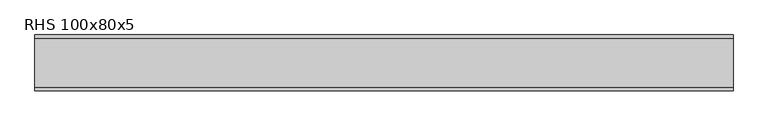
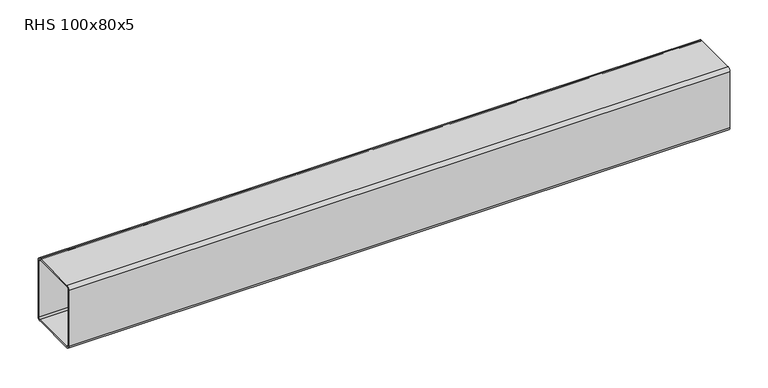
"""IFC4 building model written with IfcOpenShell, lengths in millimetres: beam geometry, RHS 100x80x5."""

from ifc_helpers import new_model, si_unit, point, frame, frame_2d, origin, place, context, project, spatial, polyline, circle_curve, trimmed, segment, composite_curve, outline, extrude, source, transform, mapped, element, save


def rhs_100x80x5_6c3d8e2e(model_context):
    return source(origin(), model_context, "Body", "SweptSolid", [
        extrude(outline(composite_curve([segment(polyline([(40.0, 45.0), (40.0, -45.0)]), True, "CONTINUOUS"), segment(trimmed(circle_curve(frame_2d((35.0, -45.0)), 5.0), [point((40.0, -45.0))], [point((35.0, -50.0))], False, "CARTESIAN"), True, "CONTINUOUS"), segment(polyline([(35.0, -50.0), (-35.0, -50.0)]), True, "CONTINUOUS"), segment(trimmed(circle_curve(frame_2d((-35.0, -45.0)), 5.0), [point((-35.0, -50.0))], [point((-40.0, -45.0))], False, "CARTESIAN"), True, "CONTINUOUS"), segment(polyline([(-40.0, -45.0), (-40.0, 45.0)]), True, "CONTINUOUS"), segment(trimmed(circle_curve(frame_2d((-35.0, 45.0)), 5.0), [point((-40.0, 45.0))], [point((-35.0, 50.0))], False, "CARTESIAN"), True, "CONTINUOUS"), segment(polyline([(-35.0, 50.0), (35.0, 50.0)]), True, "CONTINUOUS"), segment(trimmed(circle_curve(frame_2d((35.0, 45.0)), 5.0), [point((35.0, 50.0))], [point((40.0, 45.0))], False, "CARTESIAN"), True, "CONTINUOUS")], self_intersect=False), holes=[composite_curve([segment(trimmed(circle_curve(frame_2d((-35.0, 45.0)), 2.5), [point((-35.0, 47.5))], [point((-37.5, 45.0))], True, "CARTESIAN"), True, "CONTINUOUS"), segment(polyline([(-37.5, 45.0), (-37.5, -45.0)]), True, "CONTINUOUS"), segment(trimmed(circle_curve(frame_2d((-35.0, -45.0)), 2.5), [point((-37.5, -45.0))], [point((-35.0, -47.5))], True, "CARTESIAN"), True, "CONTINUOUS"), segment(polyline([(-35.0, -47.5), (35.0, -47.5)]), True, "CONTINUOUS"), segment(trimmed(circle_curve(frame_2d((35.0, -45.0)), 2.5), [point((35.0, -47.5))], [point((37.5, -45.0))], True, "CARTESIAN"), True, "CONTINUOUS"), segment(polyline([(37.5, -45.0), (37.5, 45.0)]), True, "CONTINUOUS"), segment(trimmed(circle_curve(frame_2d((35.0, 45.0)), 2.5), [point((37.5, 45.0))], [point((35.0, 47.5))], True, "CARTESIAN"), True, "CONTINUOUS"), segment(polyline([(35.0, 47.5), (-35.0, 47.5)]), True, "CONTINUOUS")], self_intersect=False)]), frame((-500.4156704, 0.0, 0.0), z_axis=(1.0, 0.0, 0.0), x_axis=(0.0, 1.0, 0.0)), (0.0, 0.0, 1.0), 1000.8313408),
    ])


if __name__ == "__main__":
    model = new_model("IFC4")
    model_context = context("Model", 3, world=origin())
    ifc_project = project(units=[si_unit("LENGTHUNIT", "METRE", prefix="MILLI")], contexts=[model_context])
    site = spatial("IfcSite", under=ifc_project)
    building = spatial("IfcBuilding", under=site)
    placement = place(None, origin())
    rhs_100x80x5_shape = rhs_100x80x5_6c3d8e2e(model_context)
    element("IfcBeam", 1, ObjectType="RHS 100x80x5", at=placement, inside=building, context=model_context, shape_type="MappedRepresentation", body=[
        mapped(rhs_100x80x5_shape, transform((0.0, 0.0, 0.0), x_axis=(1.0, 0.0, 0.0), y_axis=(0.0, 1.0, 0.0), z_axis=(0.0, 0.0, 1.0))),
    ])
    save(model, "model.ifc")
